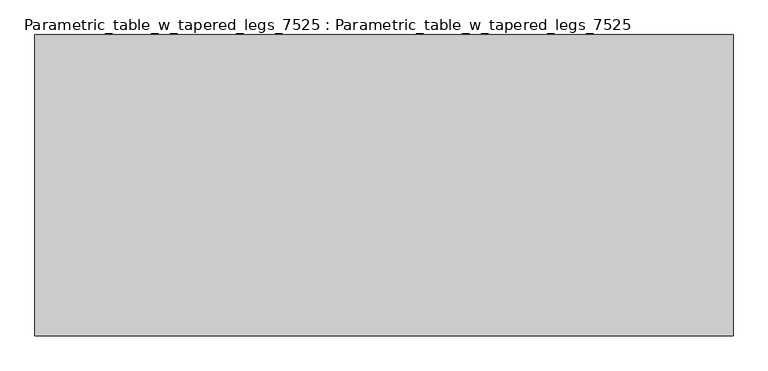
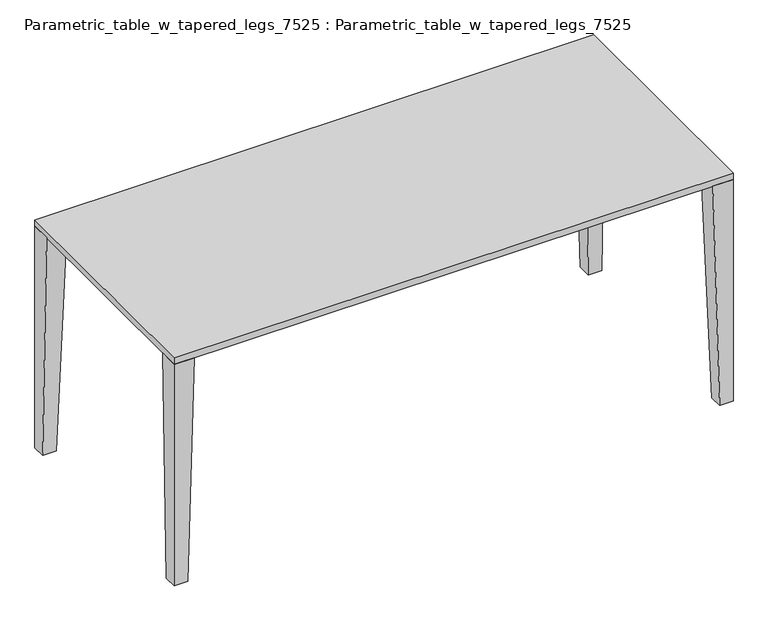
"""IFC4 building model written with IfcOpenShell, lengths in millimetres: furniture geometry, Parametric_table_w_tapered_legs_7525 : Parametric_table_w_tapered_legs_7525."""

from ifc_helpers import new_model, si_unit, frame, origin, place, context, project, spatial, polyline, outline, extrude, faceted_brep, source, transform, mapped, element, save


def parametric_table_w_tapered_legs_7525_parametric_table_w_78f71567(model_context):
    return source(origin(), model_context, "Body", "SolidModel", [
        faceted_brep([(1008.9287586, -457.2, 0.0), (1008.9287586, -406.4, 0.0), (1059.7287586, -406.4, 0.0), (1059.7287586, -457.2, 0.0), (983.5287586, -457.2, 889.0), (1059.7287586, -457.2, 889.0), (1059.7287586, -381.0, 889.0), (983.5287586, -381.0, 889.0)], [[[0, 1, 2, 3]], [[4, 5, 6, 7]], [[4, 7, 1, 0]], [[7, 6, 2, 1]], [[6, 5, 3, 2]], [[5, 4, 0, 3]]]),
        faceted_brep([(-1008.9287586, -457.2, 0.0), (-1059.7287586, -457.2, 0.0), (-1059.7287586, -406.4, 0.0), (-1008.9287586, -406.4, 0.0), (-983.5287586, -457.2, 889.0), (-983.5287586, -381.0, 889.0), (-1059.7287586, -381.0, 889.0), (-1059.7287586, -457.2, 889.0)], [[[0, 1, 2, 3]], [[4, 5, 6, 7]], [[5, 4, 0, 3]], [[6, 5, 3, 2]], [[7, 6, 2, 1]], [[4, 7, 1, 0]]]),
        faceted_brep([(1008.9287586, 457.2, 0.0), (1059.7287586, 457.2, 0.0), (1059.7287586, 406.4, 0.0), (1008.9287586, 406.4, 0.0), (983.5287586, 457.2, 889.0), (983.5287586, 381.0, 889.0), (1059.7287586, 381.0, 889.0), (1059.7287586, 457.2, 889.0)], [[[0, 1, 2, 3]], [[4, 5, 6, 7]], [[5, 4, 0, 3]], [[6, 5, 3, 2]], [[7, 6, 2, 1]], [[4, 7, 1, 0]]]),
        faceted_brep([(-1008.9287586, 457.2, 0.0), (-1008.9287586, 406.4, 0.0), (-1059.7287586, 406.4, 0.0), (-1059.7287586, 457.2, 0.0), (-983.5287586, 457.2, 889.0), (-1059.7287586, 457.2, 889.0), (-1059.7287586, 381.0, 889.0), (-983.5287586, 381.0, 889.0)], [[[0, 1, 2, 3]], [[4, 5, 6, 7]], [[4, 7, 1, 0]], [[7, 6, 2, 1]], [[6, 5, 3, 2]], [[5, 4, 0, 3]]]),
        extrude(outline(polyline([(1059.7287586, -457.2), (-1059.7287586, -457.2), (-1059.7287586, 457.2), (1059.7287586, 457.2), (1059.7287586, -457.2)])), frame((0.0, 0.0, 889.0), z_axis=(0.0, 0.0, 1.0), x_axis=(1.0, 0.0, 0.0)), (0.0, 0.0, 1.0), 25.4),
    ])


if __name__ == "__main__":
    model = new_model("IFC4")
    model_context = context("Model", 3, world=origin())
    ifc_project = project(units=[si_unit("LENGTHUNIT", "METRE", prefix="MILLI")], contexts=[model_context])
    site = spatial("IfcSite", under=ifc_project)
    building = spatial("IfcBuilding", under=site)
    placement = place(None, origin())
    parametric_table_w_tapered_legs_7525_parametric_table_w_shape = parametric_table_w_tapered_legs_7525_parametric_table_w_78f71567(model_context)
    element("IfcFurniture", 1, ObjectType="Parametric_table_w_tapered_legs_7525 : Parametric_table_w_tapered_legs_7525", at=placement, inside=building, context=model_context, shape_type="MappedRepresentation", body=[
        mapped(parametric_table_w_tapered_legs_7525_parametric_table_w_shape, transform((0.0, 0.0, 0.0), x_axis=(1.0, 0.0, 0.0), y_axis=(0.0, 1.0, 0.0), z_axis=(0.0, 0.0, 1.0))),
    ])
    save(model, "model.ifc")
